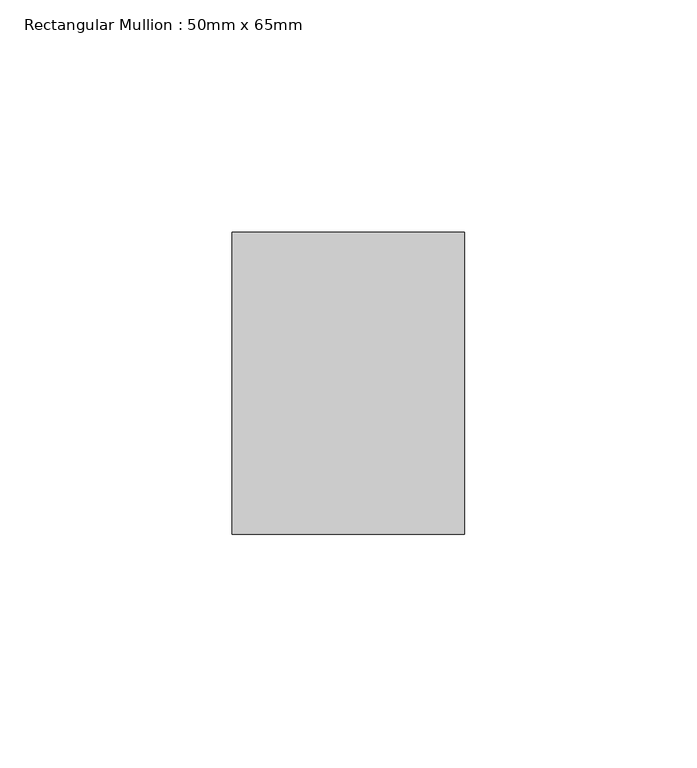
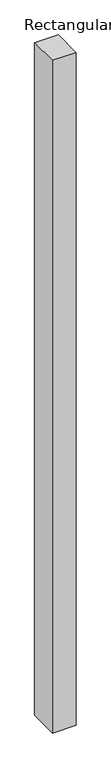
"""IFC4 building model written with IfcOpenShell, lengths in millimetres: member geometry, Rectangular Mullion : 50mm x 65mm."""

from ifc_helpers import new_model, si_unit, origin, place, context, project, spatial, faceted_brep, source, transform, mapped, element, save


def rectangular_mullion_50mm_x_65mm_f2a0afda(model_context):
    return source(origin(), model_context, "Body", "Brep", [
        faceted_brep([(-25.0, 32.5, -0.044337), (25.0, 32.5, -0.044337), (25.0, 32.5, -1499.9019463), (-25.0, 32.5, -1499.9019467), (-25.0, -32.5, 0.044337), (-25.0, -32.5, -1500.098125), (25.0, -32.5, 0.044337), (25.0, -32.5, -1500.0981246)], [[[0, 1, 2, 3]], [[4, 0, 3, 5]], [[6, 4, 5, 7]], [[1, 6, 7, 2]], [[1, 0, 4, 6]], [[2, 7, 5, 3]]]),
    ])


if __name__ == "__main__":
    model = new_model("IFC4")
    model_context = context("Model", 3, world=origin())
    ifc_project = project(units=[si_unit("LENGTHUNIT", "METRE", prefix="MILLI")], contexts=[model_context])
    site = spatial("IfcSite", under=ifc_project)
    building = spatial("IfcBuilding", under=site)
    placement = place(None, origin())
    rectangular_mullion_50mm_x_65mm_shape = rectangular_mullion_50mm_x_65mm_f2a0afda(model_context)
    element("IfcMember", 1, ObjectType="Rectangular Mullion : 50mm x 65mm", at=placement, inside=building, context=model_context, shape_type="MappedRepresentation", body=[
        mapped(rectangular_mullion_50mm_x_65mm_shape, transform((0.0, 0.0, 0.0), x_axis=(1.0, 0.0, 0.0), y_axis=(0.0, 1.0, 0.0), z_axis=(0.0, 0.0, 1.0))),
    ])
    save(model, "model.ifc")
